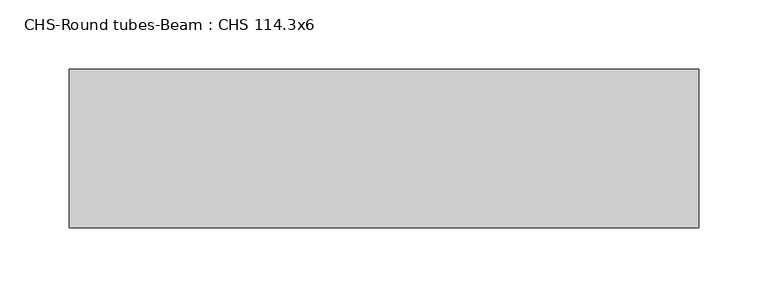
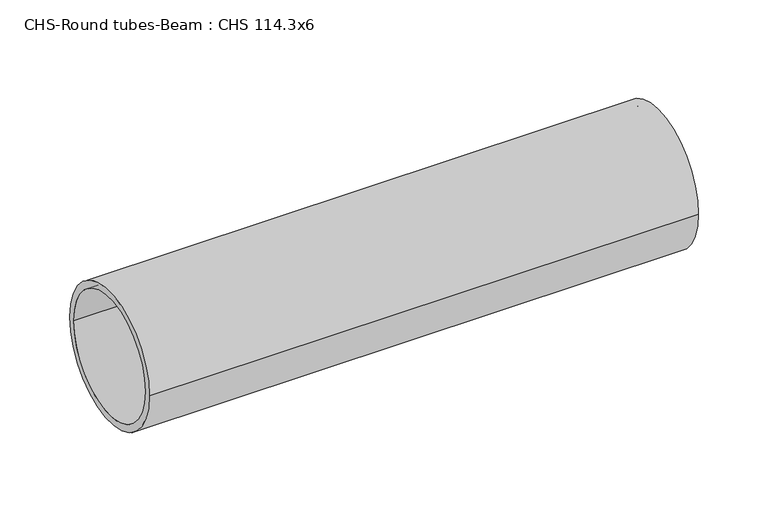
"""IFC4 building model written with IfcOpenShell, lengths in millimetres: beam geometry, CHS-Round tubes-Beam : CHS 114.3x6."""

from ifc_helpers import new_model, si_unit, point, frame, origin, origin_2d, place, context, project, spatial, circle_curve, trimmed, segment, composite_curve, outline, extrude, source, transform, mapped, element, save


def chs_round_tubes_beam_chs_114_3x6_e4d4b07e(model_context):
    return source(origin(), model_context, "Body", "SweptSolid", [
        extrude(outline(composite_curve([segment(trimmed(circle_curve(origin_2d(), 57.15), [point((57.15, 0.0))], [point((-57.15, 0.0))], False, "CARTESIAN"), True, "CONTINUOUS"), segment(trimmed(circle_curve(origin_2d(), 57.15), [point((-57.15, 0.0))], [point((57.15, 0.0))], False, "CARTESIAN"), True, "CONTINUOUS")], self_intersect=False), holes=[composite_curve([segment(trimmed(circle_curve(origin_2d(), 51.15), [point((51.15, 0.0))], [point((-51.15, 0.0))], True, "CARTESIAN"), True, "CONTINUOUS"), segment(trimmed(circle_curve(origin_2d(), 51.15), [point((-51.15, 0.0))], [point((51.15, 0.0))], True, "CARTESIAN"), True, "CONTINUOUS")], self_intersect=False)]), frame((-212.6143066, 0.0, 0.0), z_axis=(1.0, 0.0, 0.0), x_axis=(0.0, 1.0, 0.0)), (0.0, 0.0, 1.0), 454.6415879),
    ])


if __name__ == "__main__":
    model = new_model("IFC4")
    model_context = context("Model", 3, world=origin())
    ifc_project = project(units=[si_unit("LENGTHUNIT", "METRE", prefix="MILLI")], contexts=[model_context])
    site = spatial("IfcSite", under=ifc_project)
    building = spatial("IfcBuilding", under=site)
    placement = place(None, origin())
    chs_round_tubes_beam_chs_114_3x6_shape = chs_round_tubes_beam_chs_114_3x6_e4d4b07e(model_context)
    element("IfcBeam", 1, ObjectType="CHS-Round tubes-Beam : CHS 114.3x6", at=placement, inside=building, context=model_context, shape_type="MappedRepresentation", body=[
        mapped(chs_round_tubes_beam_chs_114_3x6_shape, transform((0.0, 0.0, 0.0), x_axis=(1.0, 0.0, 0.0), y_axis=(0.0, 1.0, 0.0), z_axis=(0.0, 0.0, 1.0))),
    ])
    save(model, "model.ifc")
